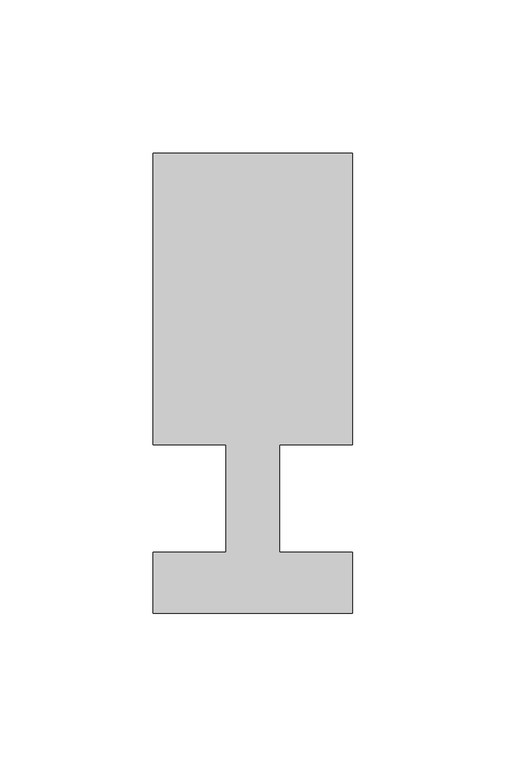
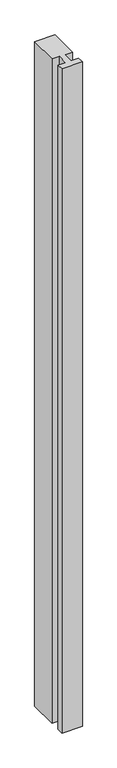
"""IFC4 building model written with IfcOpenShell, lengths in millimetres: member geometry."""

from ifc_helpers import new_model, si_unit, frame, origin, place, context, project, spatial, polyline, outline, extrude, source, transform, mapped, element, save


def member_c86c7081(model_context):
    return source(origin(), model_context, "Body", "SweptSolid", [
        extrude(outline(polyline([(-65.0, -37.0), (-65.0, -17.0), (-41.1875, -17.0), (-41.1875, 18.0), (-65.0, 18.0), (-65.0, 113.0), (0.0, 113.0), (0.0, 18.0), (-23.8125, 18.0), (-23.8125, -17.0), (0.0, -17.0), (0.0, -37.0), (-65.0, -37.0)])), frame((0.0, 0.0, -2235.0), z_axis=(0.0, 0.0, 1.0), x_axis=(1.0, 0.0, 0.0)), (0.0, 0.0, 1.0), 2235.0),
    ])


if __name__ == "__main__":
    model = new_model("IFC4")
    model_context = context("Model", 3, world=origin())
    ifc_project = project(units=[si_unit("LENGTHUNIT", "METRE", prefix="MILLI")], contexts=[model_context])
    site = spatial("IfcSite", under=ifc_project)
    building = spatial("IfcBuilding", under=site)
    placement = place(None, origin())
    member_shape = member_c86c7081(model_context)
    element("IfcMember", 1, at=placement, inside=building, context=model_context, shape_type="MappedRepresentation", body=[
        mapped(member_shape, transform((0.0, 0.0, 0.0), x_axis=(1.0, 0.0, 0.0), y_axis=(0.0, 1.0, 0.0), z_axis=(0.0, 0.0, 1.0))),
    ])
    save(model, "model.ifc")
